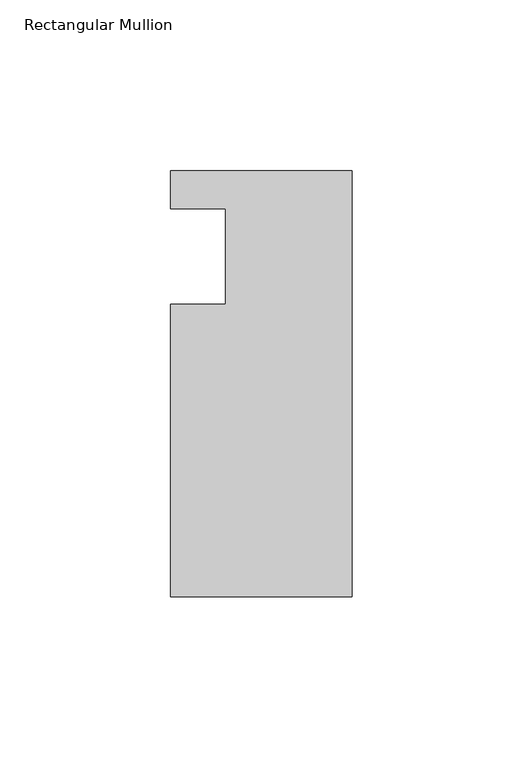
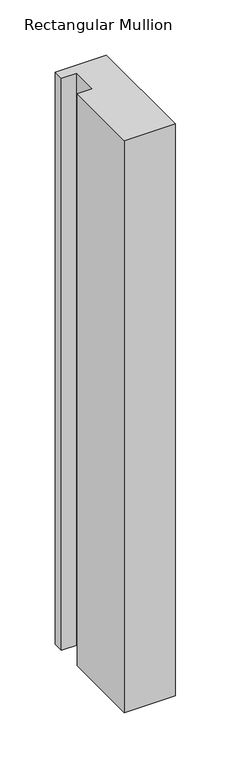
"""IFC4 building model written with IfcOpenShell, lengths in millimetres: member geometry, Rectangular Mullion."""

from ifc_helpers import new_model, si_unit, frame, origin, place, context, project, spatial, polyline, outline, extrude, source, transform, mapped, element, save


def rectangular_mullion_ab2d0fb4(model_context):
    return source(origin(), model_context, "Body", "SweptSolid", [
        extrude(outline(polyline([(-37.0, 13.9999453), (-53.0, 13.9999453), (-53.0, 24.9999453), (0.0, 24.9999453), (0.0, -99.5000547), (-53.0, -99.5000547), (-53.0, -14.0000547), (-37.0, -14.0000547), (-37.0, 13.9999453)])), frame((0.0, 0.0, -629.9940421), z_axis=(0.0, 0.0, 1.0), x_axis=(1.0, 0.0, 0.0)), (0.0, 0.0, 1.0), 629.9940421),
    ])


if __name__ == "__main__":
    model = new_model("IFC4")
    model_context = context("Model", 3, world=origin())
    ifc_project = project(units=[si_unit("LENGTHUNIT", "METRE", prefix="MILLI")], contexts=[model_context])
    site = spatial("IfcSite", under=ifc_project)
    building = spatial("IfcBuilding", under=site)
    placement = place(None, origin())
    rectangular_mullion_shape = rectangular_mullion_ab2d0fb4(model_context)
    element("IfcMember", 1, ObjectType="Rectangular Mullion", at=placement, inside=building, context=model_context, shape_type="MappedRepresentation", body=[
        mapped(rectangular_mullion_shape, transform((0.0, 0.0, 0.0), x_axis=(1.0, 0.0, 0.0), y_axis=(0.0, 1.0, 0.0), z_axis=(0.0, 0.0, 1.0))),
    ])
    save(model, "model.ifc")
